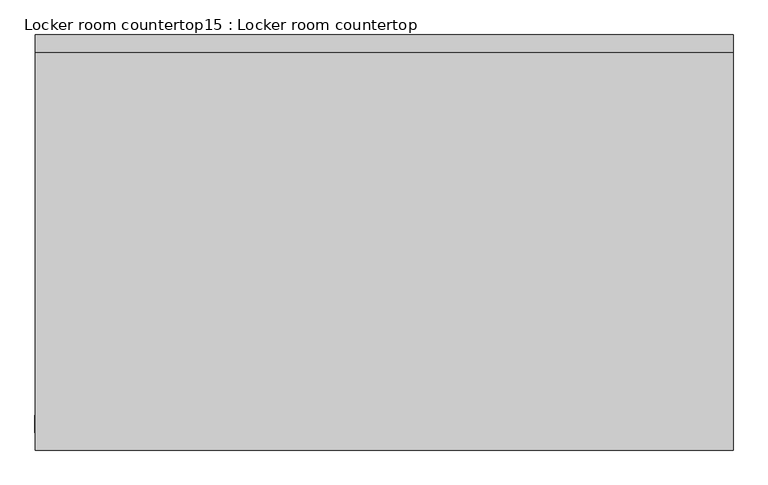
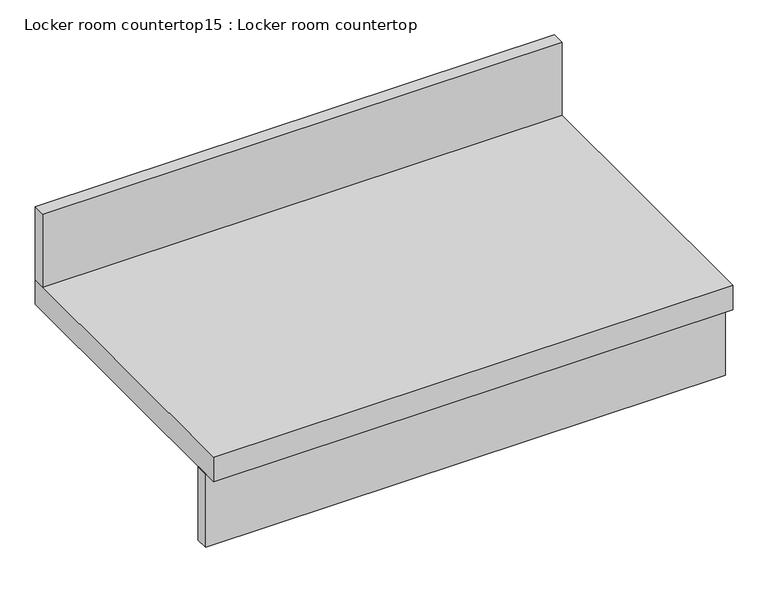
"""IFC4 building model written with IfcOpenShell, lengths in millimetres: furniture geometry, Locker room countertop15 : Locker room countertop."""

from ifc_helpers import new_model, si_unit, frame, origin, place, context, project, spatial, polyline, outline, extrude, source, transform, mapped, element, save


def locker_room_countertop15_locker_room_countertop_f2b10528(model_context):
    return source(origin(), model_context, "Body", "SweptSolid", [
        extrude(outline(polyline([(594270.774014, -322135.3233948), (594270.774014, -322109.9233948), (595296.0078822, -322109.9233948), (595296.0078822, -322135.3233948), (594270.774014, -322135.3233948)])), frame((0.0, 0.0, 660.4), z_axis=(0.0, 0.0, 1.0), x_axis=(1.0, 0.0, 0.0)), (0.0, 0.0, 1.0), 152.4),
        extrude(outline(polyline([(595296.0078822, -321576.5233948), (594271.5780684, -321576.5233948), (594271.5780684, -321551.1233948), (595296.0078822, -321551.1233948), (595296.0078822, -321576.5233948)])), frame((0.0, 0.0, 863.6), z_axis=(0.0, 0.0, 1.0), x_axis=(1.0, 0.0, 0.0)), (0.0, 0.0, 1.0), 152.4),
        extrude(outline(polyline([(595296.0078822, -322160.7233948), (594271.5780684, -322160.7233948), (594271.5780684, -321551.1233948), (595296.0078822, -321551.1233948), (595296.0078822, -322160.7233948)])), frame((0.0, 0.0, 812.8), z_axis=(0.0, 0.0, 1.0), x_axis=(1.0, 0.0, 0.0)), (0.0, 0.0, 1.0), 50.8),
    ])


if __name__ == "__main__":
    model = new_model("IFC4")
    model_context = context("Model", 3, world=origin())
    ifc_project = project(units=[si_unit("LENGTHUNIT", "METRE", prefix="MILLI")], contexts=[model_context])
    site = spatial("IfcSite", under=ifc_project)
    building = spatial("IfcBuilding", under=site)
    placement = place(None, origin())
    locker_room_countertop15_locker_room_countertop_shape = locker_room_countertop15_locker_room_countertop_f2b10528(model_context)
    element("IfcFurniture", 1, ObjectType="Locker room countertop15 : Locker room countertop", at=placement, inside=building, context=model_context, shape_type="MappedRepresentation", body=[
        mapped(locker_room_countertop15_locker_room_countertop_shape, transform((0.0, 0.0, 0.0), x_axis=(1.0, 0.0, 0.0), y_axis=(0.0, 1.0, 0.0), z_axis=(0.0, 0.0, 1.0))),
    ])
    save(model, "model.ifc")
